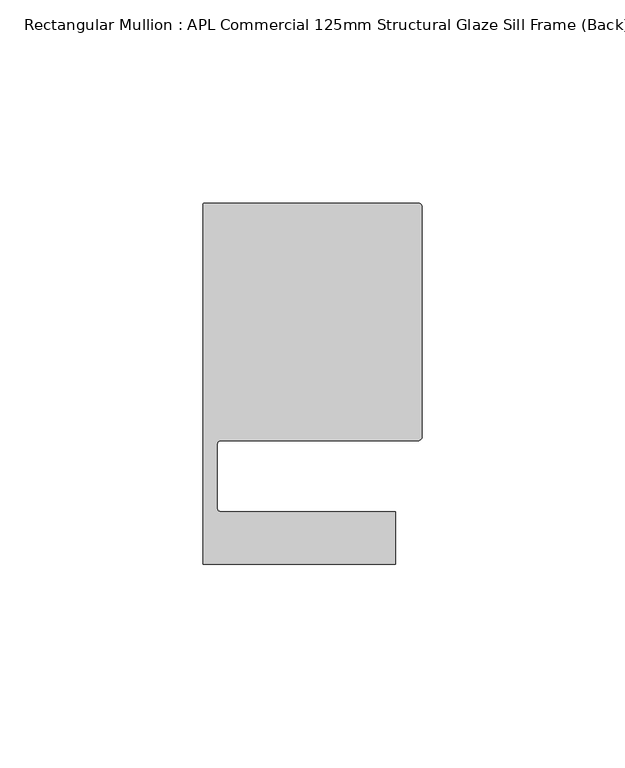
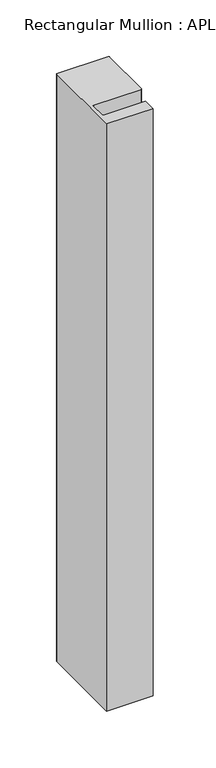
"""IFC4 building model written with IfcOpenShell, lengths in millimetres: member geometry, Rectangular Mullion : APL Commercial 125mm Structural Glaze Sill Frame (Back)."""

from ifc_helpers import new_model, si_unit, frame, origin, place, context, project, spatial, polyline, circle_curve, source, transform, mapped, element, save
from ifc_brep_helpers import plane_surface, cylinder_surface, revolved_surface, advanced_brep


def rectangular_mullion_apl_commercial_125mm_structural_glaze_ac1c9df4(model_context):
    return source(origin(), model_context, "Body", "AdvancedBrep", [
        advanced_brep(
        [(-53.5000029, 104.0, 0.0), (-54.0000029, 103.5, 0.0), (-54.0000029, 15.0004332, 0.0), (-6.5000029, 15.0004332, 0.0), (-6.5000029, 28.0004332, 0.0), (-49.5000029, 28.0004332, 0.0), (-50.5000029, 29.0004332, 0.0), (-50.5000029, 44.5010268, 0.0), (-49.5000004, 45.5010268, 0.0), (-1.0, 45.5010268, 0.0), (0.0, 46.5010268, 0.0), (0.0, 103.0, 0.0), (-1.0000025, 104.0, 0.0), (-53.5000029, 104.0, -635.1422625), (-1.0000025, 104.0, -635.1422625), (-2.5e-06, 103.0, -635.1422625), (0.0, 46.5010268, -635.1422625), (-1.0, 45.5010268, -635.1422625), (-49.5000004, 45.5010268, -635.1422625), (-50.5000004, 44.5010268, -635.1422625), (-50.5000029, 29.0004332, -635.1422625), (-49.5000029, 28.0004332, -635.1422625), (-6.5000029, 28.0004332, -635.1422625), (-6.5000029, 15.0004332, -635.1422625), (-54.0000029, 15.0004332, -635.1422625), (-54.0000029, 103.5, -635.1422625)],
        [
            (0, 1, circle_curve(frame((-53.5000029, 103.5, 0.0), z_axis=(0.0, 0.0, 1.0), x_axis=(0.0, 1.0, 0.0)), 0.5)),
            (1, 2),
            (2, 3),
            (3, 4),
            (4, 5),
            (5, 6, circle_curve(frame((-49.5000029, 29.0004332, 0.0), z_axis=(0.0, 0.0, -1.0), x_axis=(0.0, -1.0, 0.0)), 1.0)),
            (6, 7),
            (7, 8, circle_curve(frame((-49.5000004, 44.5010268, 0.0), z_axis=(0.0, 0.0, -1.0), x_axis=(-0.9999999999998819, 4.863123717036027e-07, 0.0)), 1.0)),
            (8, 9),
            (9, 10, circle_curve(frame((-1.0, 46.5010268, 0.0), z_axis=(0.0, 0.0, 1.0), x_axis=(0.0, -1.0, 0.0)), 1.0)),
            (10, 11),
            (11, 12, circle_curve(frame((-1.0000025, 103.0, 0.0), z_axis=(0.0, 0.0, 1.0), x_axis=(0.9999999999996143, 8.78371761103865e-07, 0.0)), 1.0)),
            (12, 0),
            (13, 14),
            (14, 15, circle_curve(frame((-1.0000025, 103.0, -635.1422625), z_axis=(0.0, 0.0, -1.0), x_axis=(0.9999999999996143, 8.78371761103865e-07, 0.0)), 1.0)),
            (15, 16),
            (16, 17, circle_curve(frame((-1.0, 46.5010268, -635.1422625), z_axis=(0.0, 0.0, -1.0), x_axis=(0.0, -1.0, 0.0)), 1.0)),
            (17, 18),
            (18, 19, circle_curve(frame((-49.5000004, 44.5010268, -635.1422625), z_axis=(0.0, 0.0, 1.0), x_axis=(-0.9999999999998819, 4.863123717036027e-07, 0.0)), 1.0)),
            (19, 20),
            (20, 21, circle_curve(frame((-49.5000029, 29.0004332, -635.1422625), z_axis=(0.0, 0.0, 1.0), x_axis=(0.0, -1.0, 0.0)), 1.0)),
            (21, 22),
            (22, 23),
            (23, 24),
            (24, 25),
            (25, 13, circle_curve(frame((-53.5000029, 103.5, -635.1422625), z_axis=(0.0, 0.0, -1.0), x_axis=(0.0, 1.0, 0.0)), 0.5)),
            (0, 13),
            (25, 1),
            (24, 2),
            (23, 3),
            (22, 4),
            (21, 5),
            (20, 6),
            (19, 7),
            (18, 8),
            (17, 9),
            (16, 10),
            (15, 11),
            (14, 12),
        ],
        [
            plane_surface(frame((0.0, -116.986179, 0.0), z_axis=(0.0, 0.0, 1.0), x_axis=(-1.0, 0.0, 0.0))),
            plane_surface(frame((0.0, -116.986179, -635.1422625), z_axis=(0.0, 0.0, -1.0), x_axis=(-1.0, 0.0, 0.0))),
            cylinder_surface(frame((-53.5000029, 103.5, 0.0), z_axis=(0.0, 0.0, 1.0), x_axis=(0.0, 1.0, 0.0)), 0.5),
            plane_surface(frame((-54.0000029, 103.5, 0.0), z_axis=(-1.0, 0.0, 0.0), x_axis=(0.0, 0.0, -1.0))),
            plane_surface(frame((-54.0000029, 15.0004332, 0.0), z_axis=(0.0, -1.0, 0.0), x_axis=(0.0, 0.0, -1.0))),
            plane_surface(frame((-6.5000029, 15.0004332, 0.0), z_axis=(1.0, 0.0, 0.0), x_axis=(0.0, 0.0, -1.0))),
            plane_surface(frame((-6.5000029, 28.0004332, 0.0), z_axis=(0.0, 1.0, 0.0), x_axis=(0.0, 0.0, -1.0))),
            revolved_surface(polyline([(-49.5000029, 28.0004332, -635.1422625), (-49.5000029, 28.0004332, 0.0)]), (-49.5000029, 29.0004332, 0.0), (0.0, 0.0, -1.0)),
            plane_surface(frame((-50.5000029, 29.0004332, 0.0), z_axis=(1.0, 0.0, 0.0), x_axis=(0.0, 0.0, -1.0))),
            revolved_surface(polyline([(-50.50000039999988, 44.50102728631237, -635.1422625000002), (-50.50000039999988, 44.50102728631237, 0.0)]), (-49.5000004, 44.5010268, 0.0), (0.0, 0.0, -1.0000000000000002)),
            plane_surface(frame((-49.5000004, 45.5010268, 0.0), z_axis=(0.0, -1.0, 0.0), x_axis=(0.0, 0.0, -1.0))),
            cylinder_surface(frame((-1.0, 46.5010268, 0.0), z_axis=(0.0, 0.0, 1.0), x_axis=(0.0, -1.0, 0.0)), 1.0),
            plane_surface(frame((0.0, 46.5010268, 0.0), z_axis=(1.0, 0.0, 0.0), x_axis=(0.0, 0.0, -1.0))),
            cylinder_surface(frame((-1.0000025, 103.0, 0.0), z_axis=(0.0, 0.0, 1.0000000000000002), x_axis=(0.9999999999996143, 8.78371761103865e-07, 0.0)), 1.0),
            plane_surface(frame((-1.0000025, 104.0, 0.0), z_axis=(0.0, 1.0, 0.0), x_axis=(0.0, 0.0, -1.0))),
        ],
        [
            (0, [[1, 2, 3, 4, 5, 6, 7, 8, 9, 10, 11, 12, 13]]),
            (1, [[14, 15, 16, 17, 18, 19, 20, 21, 22, 23, 24, 25, 26]]),
            (2, [[-1, 27, -26, 28]]),
            (3, [[-2, -28, -25, 29]]),
            (4, [[-3, -29, -24, 30]]),
            (5, [[-4, -30, -23, 31]]),
            (6, [[-5, -31, -22, 32]]),
            (7, [[-6, -32, -21, 33]]),
            (8, [[-7, -33, -20, 34]]),
            (9, [[-8, -34, -19, 35]]),
            (10, [[-9, -35, -18, 36]]),
            (11, [[-10, -36, -17, 37]]),
            (12, [[-11, -37, -16, 38]]),
            (13, [[-12, -38, -15, 39]]),
            (14, [[-13, -39, -14, -27]]),
        ],
    ),
    ])


if __name__ == "__main__":
    model = new_model("IFC4")
    model_context = context("Model", 3, world=origin())
    ifc_project = project(units=[si_unit("LENGTHUNIT", "METRE", prefix="MILLI")], contexts=[model_context])
    site = spatial("IfcSite", under=ifc_project)
    building = spatial("IfcBuilding", under=site)
    placement = place(None, origin())
    rectangular_mullion_apl_commercial_125mm_structural_glaze_shape = rectangular_mullion_apl_commercial_125mm_structural_glaze_ac1c9df4(model_context)
    element("IfcMember", 1, ObjectType="Rectangular Mullion : APL Commercial 125mm Structural Glaze Sill Frame (Back)", at=placement, inside=building, context=model_context, shape_type="MappedRepresentation", body=[
        mapped(rectangular_mullion_apl_commercial_125mm_structural_glaze_shape, transform((0.0, 0.0, 0.0), x_axis=(1.0, 0.0, 0.0), y_axis=(0.0, 1.0, 0.0), z_axis=(0.0, 0.0, 1.0))),
    ])
    save(model, "model.ifc")
